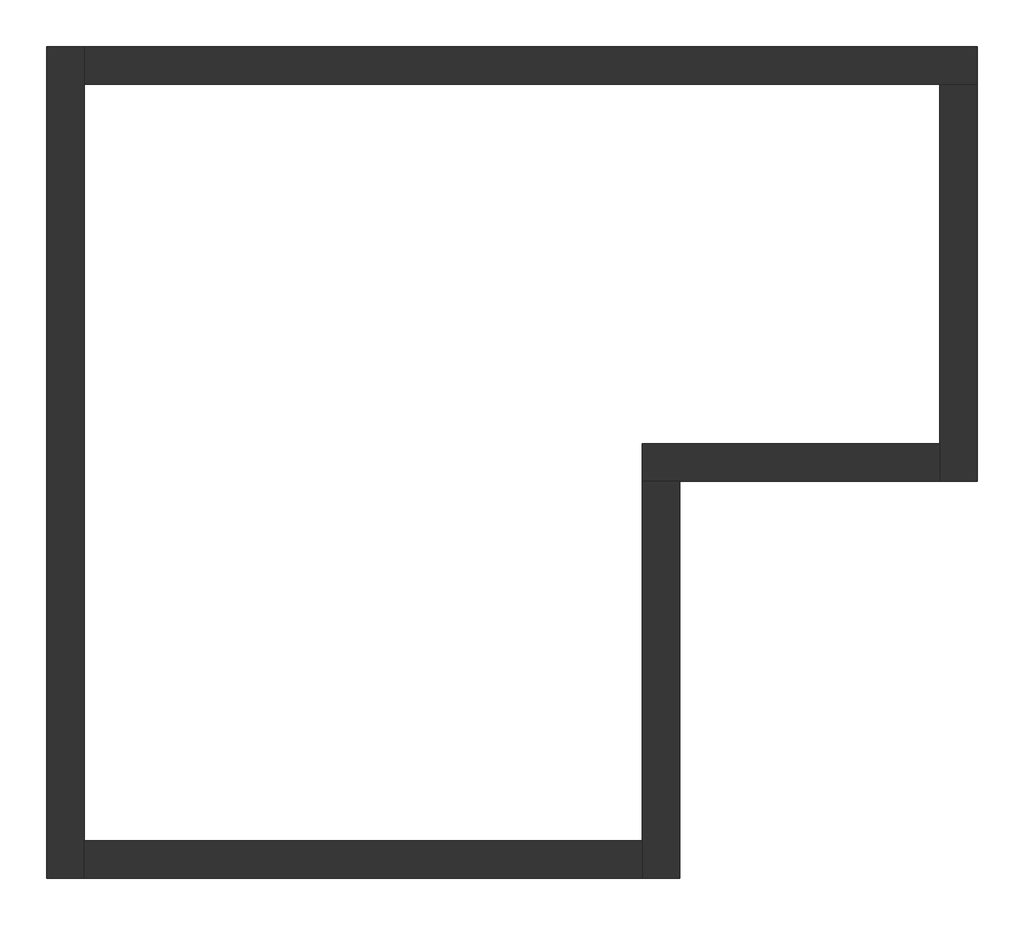
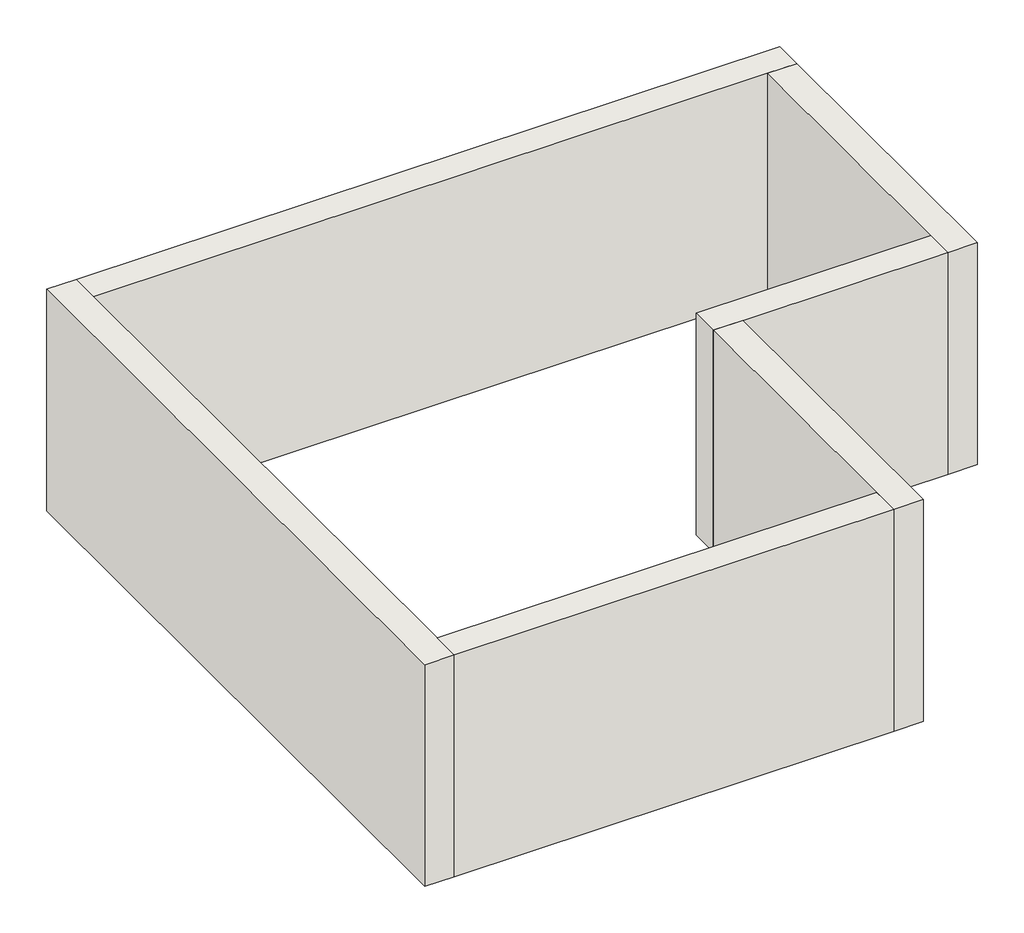
# One storey: 6 walls.
"""IFC4 building model written with IfcOpenShell, lengths in millimetres."""

from ifc_helpers import new_model, si_unit, frame, origin, place, context, project, spatial, polyline, outline, extrude, faceted_brep, element, save

model = new_model("IFC4")

# Units and contexts
model_context = context("Model", 3, world=origin())
ifc_project = project(units=[si_unit("LENGTHUNIT", "METRE", prefix="MILLI")], contexts=[model_context])

# Site, building, storey
site = spatial("IfcSite", under=ifc_project)
building = spatial("IfcBuilding", under=site)
storey = spatial("IfcBuildingStorey", under=building, Elevation=3000.0)

# Walls
placement = place(None, origin())
element("IfcWall", 1, at=placement, inside=storey, context=model_context, shape_type="Brep", body=[
    faceted_brep([(-9713.620157, -836.0022635, 3000.0), (-9713.620157, -457.0022635, 3000.0), (-9713.620157, 7163.9977365, 3000.0), (-9713.620157, 7542.9977365, 3000.0), (-9713.620157, 7542.9977365, 6000.0), (-9713.620157, 7163.9977365, 6000.0), (-9713.620157, -457.0022635, 6000.0), (-9713.620157, -836.0022635, 6000.0), (-10092.620157, -836.0022635, 3000.0), (-10092.620157, -836.0022635, 6000.0), (-10092.620157, 7542.9977365, 6000.0), (-10092.620157, 7542.9977365, 3000.0)], [[[0, 1, 2, 3, 4, 5, 6, 7]], [[8, 9, 10, 11]], [[3, 2, 1, 0, 8, 11]], [[7, 6, 5, 4, 10, 9]], [[4, 3, 11, 10]], [[0, 7, 9, 8]]]),
])
element("IfcWall", 2, at=placement, inside=storey, context=model_context, shape_type="Brep", body=[
    faceted_brep([(-9713.620157, 7163.9977365, 3000.0), (-1092.620157, 7163.9977365, 3000.0), (-713.620157, 7163.9977365, 3000.0), (-713.620157, 7163.9977365, 6000.0), (-1092.620157, 7163.9977365, 6000.0), (-9713.620157, 7163.9977365, 6000.0), (-9713.620157, 7542.9977365, 3000.0), (-9713.620157, 7542.9977365, 6000.0), (-713.620157, 7542.9977365, 6000.0), (-713.620157, 7542.9977365, 3000.0)], [[[0, 1, 2, 3, 4, 5]], [[6, 7, 8, 9]], [[2, 1, 0, 6, 9]], [[5, 4, 3, 8, 7]], [[0, 5, 7, 6]], [[3, 2, 9, 8]]]),
])
element("IfcWall", 3, at=placement, inside=storey, context=model_context, shape_type="Brep", body=[
    faceted_brep([(-1092.620157, 7163.9977365, 3000.0), (-1092.620157, 3542.9977365, 3000.0), (-1092.620157, 3163.9977365, 3000.0), (-1092.620157, 3163.9977365, 6000.0), (-1092.620157, 3542.9977365, 6000.0), (-1092.620157, 7163.9977365, 6000.0), (-713.620157, 7163.9977365, 3000.0), (-713.620157, 7163.9977365, 6000.0), (-713.620157, 3163.9977365, 6000.0), (-713.620157, 3163.9977365, 3000.0)], [[[0, 1, 2, 3, 4, 5]], [[6, 7, 8, 9]], [[2, 1, 0, 6, 9]], [[5, 4, 3, 8, 7]], [[0, 5, 7, 6]], [[3, 2, 9, 8]]]),
])
element("IfcWall", 4, at=placement, inside=storey, context=model_context, shape_type="Brep", body=[
    faceted_brep([(-1092.620157, 3542.9977365, 3000.0), (-4092.620157, 3542.9977365, 3000.0), (-4092.620157, 3542.9977365, 6000.0), (-1092.620157, 3542.9977365, 6000.0), (-1092.620157, 3163.9977365, 3000.0), (-1092.620157, 3163.9977365, 6000.0), (-3713.620157, 3163.9977365, 6000.0), (-4092.620157, 3163.9977365, 6000.0), (-4092.620157, 3163.9977365, 3000.0), (-3713.620157, 3163.9977365, 3000.0)], [[[0, 1, 2, 3]], [[4, 5, 6, 7, 8, 9]], [[1, 0, 4, 9, 8]], [[3, 2, 7, 6, 5]], [[0, 3, 5, 4]], [[2, 1, 8, 7]]]),
])
element("IfcWall", 5, at=placement, inside=storey, context=model_context, shape_type="Brep", body=[
    faceted_brep([(-4092.620157, 3163.9977365, 3000.0), (-4092.620157, -457.0022635, 3000.0), (-4092.620157, -836.0022635, 3000.0), (-4092.620157, -836.0022635, 6000.0), (-4092.620157, -457.0022635, 6000.0), (-4092.620157, 3163.9977365, 6000.0), (-3713.620157, 3163.9977365, 3000.0), (-3713.620157, 3163.9977365, 6000.0), (-3713.620157, -836.0022635, 6000.0), (-3713.620157, -836.0022635, 3000.0)], [[[0, 1, 2, 3, 4, 5]], [[6, 7, 8, 9]], [[2, 1, 0, 6, 9]], [[5, 4, 3, 8, 7]], [[0, 5, 7, 6]], [[3, 2, 9, 8]]]),
])
element("IfcWall", 6, at=placement, inside=storey, context=model_context, shape_type="SweptSolid", body=[
    extrude(outline(polyline([(-9713.620157, -457.0022635), (-4092.620157, -457.0022635), (-4092.620157, -836.0022635), (-9713.620157, -836.0022635), (-9713.620157, -457.0022635)])), frame((0.0, 0.0, 3000.0), z_axis=(0.0, 0.0, 1.0), x_axis=(1.0, 0.0, 0.0)), (0.0, 0.0, 1.0), 3000.0),
])

save(model, "model.ifc")
